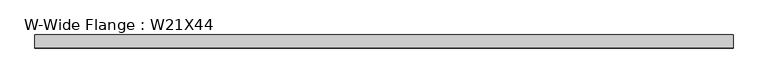
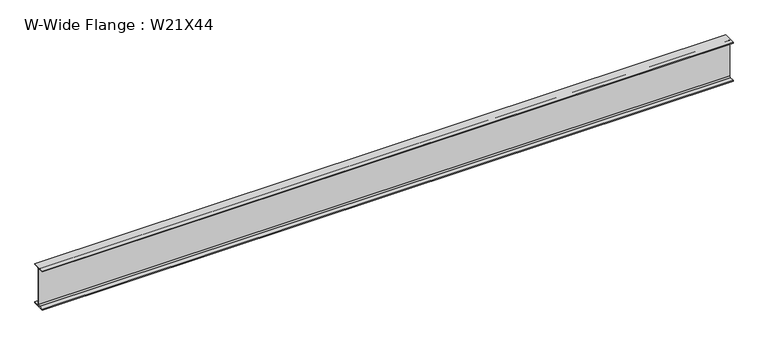
"""IFC4 building model written with IfcOpenShell, lengths in millimetres: beam geometry, W-Wide Flange : W21X44."""

from ifc_helpers import new_model, si_unit, point, frame, frame_2d, origin, place, context, project, spatial, polyline, circle_curve, trimmed, segment, composite_curve, outline, extrude, source, transform, mapped, element, save


def w_wide_flange_w21x44_076d631b(model_context):
    return source(origin(), model_context, "Body", "SweptSolid", [
        extrude(outline(composite_curve([segment(polyline([(82.55, -251.4699219), (82.55, -262.8800781), (-82.55, -262.8800781), (-82.55, -251.4699219), (-21.6296875, -251.4699219)]), True, "CONTINUOUS"), segment(trimmed(circle_curve(frame_2d((-21.6296875, -234.3050781)), 17.1648437), [point((-21.6296875, -251.4699219))], [point((-4.4648438, -234.3050781))], True, "CARTESIAN"), True, "CONTINUOUS"), segment(polyline([(-4.4648438, -234.3050781), (-4.4648438, 234.3050781)]), True, "CONTINUOUS"), segment(trimmed(circle_curve(frame_2d((-21.6296875, 234.3050781)), 17.1648437), [point((-4.4648438, 234.3050781))], [point((-21.6296875, 251.4699219))], True, "CARTESIAN"), True, "CONTINUOUS"), segment(polyline([(-21.6296875, 251.4699219), (-82.55, 251.4699219), (-82.55, 262.8800781), (82.55, 262.8800781), (82.55, 251.4699219), (21.6296875, 251.4699219)]), True, "CONTINUOUS"), segment(trimmed(circle_curve(frame_2d((21.6296875, 234.3050781)), 17.1648437), [point((21.6296875, 251.4699219))], [point((4.4648437, 234.3050781))], True, "CARTESIAN"), True, "CONTINUOUS"), segment(polyline([(4.4648437, 234.3050781), (4.4648437, -234.3050781)]), True, "CONTINUOUS"), segment(trimmed(circle_curve(frame_2d((21.6296875, -234.3050781)), 17.1648437), [point((4.4648437, -234.3050781))], [point((21.6296875, -251.4699219))], True, "CARTESIAN"), True, "CONTINUOUS"), segment(polyline([(21.6296875, -251.4699219), (82.55, -251.4699219)]), True, "CONTINUOUS")], self_intersect=False)), frame((-4404.3699219, 0.0, 0.0), z_axis=(1.0, 0.0, 0.0), x_axis=(0.0, 1.0, 0.0)), (0.0, 0.0, 1.0), 8809.9800781),
    ])


if __name__ == "__main__":
    model = new_model("IFC4")
    model_context = context("Model", 3, world=origin())
    ifc_project = project(units=[si_unit("LENGTHUNIT", "METRE", prefix="MILLI")], contexts=[model_context])
    site = spatial("IfcSite", under=ifc_project)
    building = spatial("IfcBuilding", under=site)
    placement = place(None, origin())
    w_wide_flange_w21x44_shape = w_wide_flange_w21x44_076d631b(model_context)
    element("IfcBeam", 1, ObjectType="W-Wide Flange : W21X44", at=placement, inside=building, context=model_context, shape_type="MappedRepresentation", body=[
        mapped(w_wide_flange_w21x44_shape, transform((0.0, 0.0, 0.0), x_axis=(1.0, 0.0, 0.0), y_axis=(0.0, 1.0, 0.0), z_axis=(0.0, 0.0, 1.0))),
    ])
    save(model, "model.ifc")
